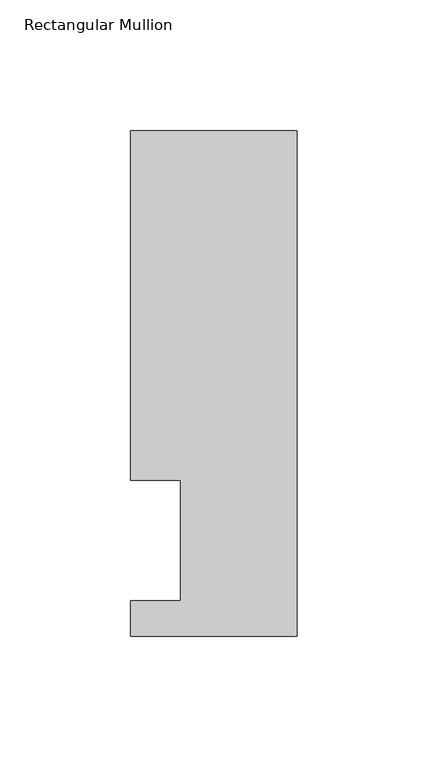
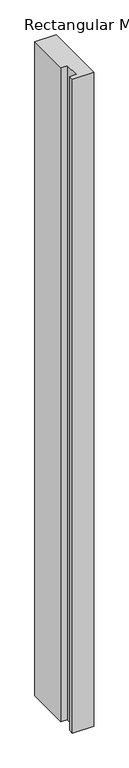
"""IFC4 building model written with IfcOpenShell, lengths in millimetres: member geometry, Rectangular Mullion."""

from ifc_helpers import new_model, si_unit, frame, origin, place, context, project, spatial, polyline, outline, extrude, source, transform, mapped, element, save


def rectangular_mullion_b320d66e(model_context):
    return source(origin(), model_context, "Body", "SweptSolid", [
        extrude(outline(polyline([(31.75, 192.88125), (31.75, 0.04445), (-31.75, 0.04445), (-31.75, 13.50645), (-12.7, 13.50645), (-12.7, 59.53125), (-31.75, 59.53125), (-31.75, 192.88125), (31.75, 192.88125)])), frame((0.0, 0.0, -2057.4), z_axis=(0.0, 0.0, 1.0), x_axis=(1.0, 0.0, 0.0)), (0.0, 0.0, 1.0), 2057.4),
    ])


if __name__ == "__main__":
    model = new_model("IFC4")
    model_context = context("Model", 3, world=origin())
    ifc_project = project(units=[si_unit("LENGTHUNIT", "METRE", prefix="MILLI")], contexts=[model_context])
    site = spatial("IfcSite", under=ifc_project)
    building = spatial("IfcBuilding", under=site)
    placement = place(None, origin())
    rectangular_mullion_shape = rectangular_mullion_b320d66e(model_context)
    element("IfcMember", 1, ObjectType="Rectangular Mullion", at=placement, inside=building, context=model_context, shape_type="MappedRepresentation", body=[
        mapped(rectangular_mullion_shape, transform((0.0, 0.0, 0.0), x_axis=(1.0, 0.0, 0.0), y_axis=(0.0, 1.0, 0.0), z_axis=(0.0, 0.0, 1.0))),
    ])
    save(model, "model.ifc")
